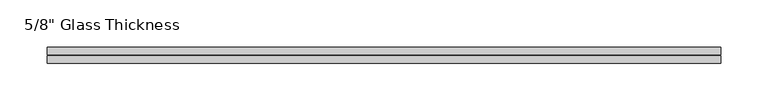
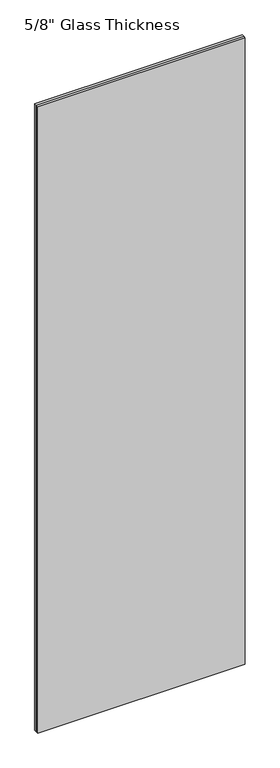
"""IFC4 building model written with IfcOpenShell, lengths in millimetres: plate geometry."""

from ifc_helpers import new_model, si_unit, origin, origin_with_axes, place, context, project, spatial, polyline, outline, extrude, source, transform, mapped, element, save


def plate_3175a20e(model_context):
    return source(origin(), model_context, "Body", "SweptSolid", [
        extrude(outline(polyline([(355.5, 8.76), (-355.5, 8.76), (-355.5, 16.76), (355.5, 16.76), (355.5, 8.76)])), origin_with_axes(), (0.0, 0.0, 1.0), 2267.0),
        extrude(outline(polyline([(355.5, 0.0), (-355.5, 0.0), (-355.5, 8.0), (355.5, 8.0), (355.5, 0.0)])), origin_with_axes(), (0.0, 0.0, 1.0), 2267.0),
    ])


if __name__ == "__main__":
    model = new_model("IFC4")
    model_context = context("Model", 3, world=origin())
    ifc_project = project(units=[si_unit("LENGTHUNIT", "METRE", prefix="MILLI")], contexts=[model_context])
    site = spatial("IfcSite", under=ifc_project)
    building = spatial("IfcBuilding", under=site)
    placement = place(None, origin())
    plate_shape = plate_3175a20e(model_context)
    element("IfcPlate", 1, ObjectType="5/8\" Glass Thickness", at=placement, inside=building, context=model_context, shape_type="MappedRepresentation", body=[
        mapped(plate_shape, transform((0.0, 0.0, 0.0), x_axis=(1.0, 0.0, 0.0), y_axis=(0.0, 1.0, 0.0), z_axis=(0.0, 0.0, 1.0))),
    ])
    save(model, "model.ifc")
